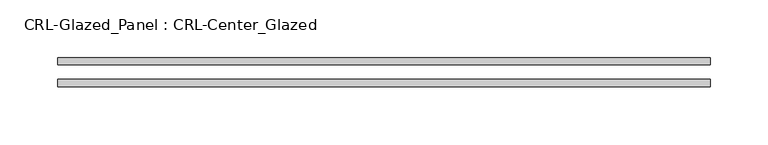
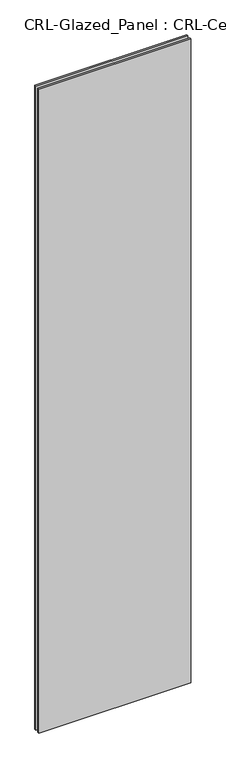
"""IFC4 building model written with IfcOpenShell, lengths in millimetres: plate geometry, CRL-Glazed_Panel : CRL-Center_Glazed."""

from ifc_helpers import new_model, si_unit, origin, origin_with_axes, place, context, project, spatial, polyline, outline, extrude, source, transform, mapped, element, save


def crl_glazed_panel_crl_center_glazed_ce3888d5(model_context):
    return source(origin(), model_context, "Body", "SweptSolid", [
        extrude(outline(polyline([(283.7445844, -12.7), (-283.7445844, -12.7), (-283.7445844, -6.35), (283.7445844, -6.35), (283.7445844, -12.7)])), origin_with_axes(), (0.0, 0.0, 1.0), 2544.9534064),
        extrude(outline(polyline([(-283.7445844, 6.35), (-283.7445844, 12.7), (283.7445844, 12.7), (283.7445844, 6.35), (-283.7445844, 6.35)])), origin_with_axes(), (0.0, 0.0, 1.0), 2544.9534064),
    ])


if __name__ == "__main__":
    model = new_model("IFC4")
    model_context = context("Model", 3, world=origin())
    ifc_project = project(units=[si_unit("LENGTHUNIT", "METRE", prefix="MILLI")], contexts=[model_context])
    site = spatial("IfcSite", under=ifc_project)
    building = spatial("IfcBuilding", under=site)
    placement = place(None, origin())
    crl_glazed_panel_crl_center_glazed_shape = crl_glazed_panel_crl_center_glazed_ce3888d5(model_context)
    element("IfcPlate", 1, ObjectType="CRL-Glazed_Panel : CRL-Center_Glazed", at=placement, inside=building, context=model_context, shape_type="MappedRepresentation", body=[
        mapped(crl_glazed_panel_crl_center_glazed_shape, transform((0.0, 0.0, 0.0), x_axis=(1.0, 0.0, 0.0), y_axis=(0.0, 1.0, 0.0), z_axis=(0.0, 0.0, 1.0))),
    ])
    save(model, "model.ifc")
